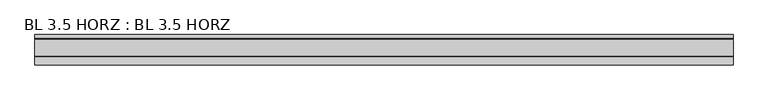
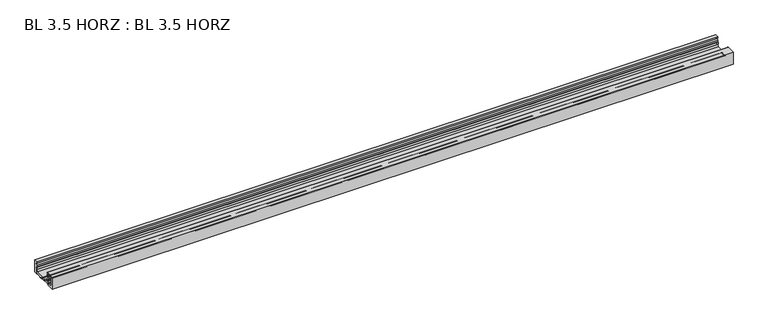
"""IFC4 building model written with IfcOpenShell, lengths in millimetres: furniture geometry, BL 3.5 HORZ : BL 3.5 HORZ."""

from ifc_helpers import new_model, si_unit, point, frame, frame_2d, origin, place, context, project, spatial, polyline, circle_curve, trimmed, segment, composite_curve, outline, extrude, source, transform, mapped, element, save
from ifc_brep_helpers import plane_surface, cylinder_surface, revolved_surface, advanced_brep


def bl_3_5_horz_bl_3_5_horz_7e1e05df(model_context):
    return source(origin(), model_context, "Body", "SolidModel", [
        extrude(outline(composite_curve([segment(polyline([(44.4595257, 0.0), (34.9345249, 0.0), (38.1095251, 3.1750003), (38.1095251, 20.6926618), (33.3470247, 20.6926618), (33.3470247, 15.9301613), (31.7362356, 15.9301613), (31.7362356, 22.2801619), (34.9345249, 22.2801619), (34.9345249, 26.9875024), (36.3579184, 32.6810766)]), True, "CONTINUOUS"), segment(trimmed(circle_curve(frame_2d((35.8453962, 32.8092072)), 0.5282958), [point((36.3579184, 32.6810766))], [point((35.8453962, 33.3375029))], True, "CARTESIAN"), True, "CONTINUOUS"), segment(polyline([(35.8453962, 33.3375029), (34.9345249, 33.3375029), (34.9345249, 38.1000034), (44.4595257, 38.1000034), (44.4595257, 0.0)]), True, "CONTINUOUS")], self_intersect=False)), frame((-1016.0, 0.0, 0.0), z_axis=(1.0, 0.0, 0.0), x_axis=(0.0, 1.0, 0.0)), (0.0, 0.0, 1.0), 2032.0),
        advanced_brep(
        [(1016.0, 32.1005075, 7.7615217), (1016.0, -19.0595255, 7.7615217), (1016.0, -19.0595255, 11.1676617), (1016.0, -22.3615255, 11.1676617), (1016.0, -25.4095256, 8.1196617), (1016.0, -25.4095256, 4.8176616), (1016.0, -38.9032757, 4.8176616), (1016.0, -38.9032757, 33.4180619), (1016.0, -25.4095256, 33.4180619), (1016.0, -25.4095256, 26.9410618), (1016.0, -22.3615255, 23.8930618), (1016.0, -19.0595255, 23.8930618), (1016.0, -19.0595255, 30.9034618), (1016.0, -20.2406255, 31.5853703), (1016.0, -21.6630255, 30.7641472), (1016.0, -22.2345255, 31.0941029), (1016.0, -22.2345255, 35.7166208), (1016.0, -21.6630255, 36.0465765), (1016.0, -20.2406255, 35.2253535), (1016.0, -19.0595255, 35.9072619), (1016.0, -19.0595255, 37.6000034), (1016.0, -19.5595255, 38.1000034), (1016.0, -44.4595257, 38.1000034), (1016.0, -44.4595257, 0.0), (1016.0, -24.507571, 0.0), (1016.0, -21.6536732, 2.8538978), (1016.0, -6.7275074, 2.8538978), (1016.0, -6.0204007, 2.5610046), (1016.0, -5.2371711, 1.777775), (1016.0, -4.5300643, 1.777775), (1016.0, -3.6496711, 2.6581682), (1016.0, -2.9425643, 2.6581682), (1016.0, -2.0621711, 1.777775), (1016.0, -1.3550643, 1.777775), (1016.0, -0.4746711, 2.6581682), (1016.0, 0.2324357, 2.6581682), (1016.0, 1.112829, 1.777775), (1016.0, 1.8199357, 1.777775), (1016.0, 2.700329, 2.6581682), (1016.0, 3.4074358, 2.6581682), (1016.0, 4.287829, 1.777775), (1016.0, 4.9949358, 1.777775), (1016.0, 5.875329, 2.6581682), (1016.0, 6.5824358, 2.6581682), (1016.0, 7.462829, 1.777775), (1016.0, 8.1699358, 1.777775), (1016.0, 9.050329, 2.6581682), (1016.0, 9.7574358, 2.6581682), (1016.0, 10.637829, 1.777775), (1016.0, 11.3449358, 1.777775), (1016.0, 12.225329, 2.6581682), (1016.0, 12.9324358, 2.6581682), (1016.0, 15.5906041, 0.0), (1016.0, 19.0012949, 0.0), (1016.0, 20.7415796, 3.0142616), (1016.0, 30.0393701, 3.0142616), (1016.0, 31.7796548, 0.0), (1016.0, 34.9345249, 0.0), (1016.0, 38.1095251, 3.1750003), (1016.0, 38.1095251, 18.3304617), (1016.0, 34.0655108, 16.6526047), (1016.0, 34.2751275, 15.8773141), (-1016.0, 32.1005075, 7.7615217), (-1016.0, 34.2751275, 15.8773141), (-1016.0, 34.0655108, 16.6526047), (-1016.0, 38.090475, 18.3304617), (-1016.0, 38.1095251, 3.1750003), (-1016.0, 34.9345249, 0.0), (-1016.0, 31.7796548, 0.0), (-1016.0, 30.0393701, 3.0142616), (-1016.0, 20.7415796, 3.0142616), (-1016.0, 19.0012949, 0.0), (-1016.0, 15.5906041, 0.0), (-1016.0, 12.9324358, 2.6581682), (-1016.0, 12.225329, 2.6581682), (-1016.0, 11.3449358, 1.777775), (-1016.0, 10.637829, 1.777775), (-1016.0, 9.7574358, 2.6581682), (-1016.0, 9.050329, 2.6581682), (-1016.0, 8.1699358, 1.777775), (-1016.0, 7.462829, 1.777775), (-1016.0, 6.5824358, 2.6581682), (-1016.0, 5.875329, 2.6581682), (-1016.0, 4.9949358, 1.777775), (-1016.0, 4.287829, 1.777775), (-1016.0, 3.4074358, 2.6581682), (-1016.0, 2.700329, 2.6581682), (-1016.0, 1.8199357, 1.777775), (-1016.0, 1.112829, 1.777775), (-1016.0, 0.2324357, 2.6581682), (-1016.0, -0.4746711, 2.6581682), (-1016.0, -1.3550643, 1.777775), (-1016.0, -2.0621711, 1.777775), (-1016.0, -2.9425643, 2.6581682), (-1016.0, -3.6496711, 2.6581682), (-1016.0, -4.5300643, 1.777775), (-1016.0, -5.2371711, 1.777775), (-1016.0, -6.0204007, 2.5610046), (-1016.0, -6.7275074, 2.8538978), (-1016.0, -21.6536732, 2.8538978), (-1016.0, -24.507571, 0.0), (-1016.0, -44.4595257, 0.0), (-1016.0, -44.4595257, 38.1000034), (-1016.0, -19.5595255, 38.1000034), (-1016.0, -19.0595255, 37.6000034), (-1016.0, -19.0595255, 35.9072619), (-1016.0, -20.2406255, 35.2253535), (-1016.0, -21.6630255, 36.0465765), (-1016.0, -22.2345255, 35.7166208), (-1016.0, -22.2345255, 31.0941029), (-1016.0, -21.6630255, 30.7641472), (-1016.0, -20.2406255, 31.5853703), (-1016.0, -19.0595255, 30.9034618), (-1016.0, -19.0595255, 23.8930618), (-1016.0, -22.3615255, 23.8930618), (-1016.0, -25.4095256, 26.9410618), (-1016.0, -25.4095256, 33.4180619), (-1016.0, -38.9032757, 33.4180619), (-1016.0, -38.9032757, 4.8176616), (-1016.0, -25.4095256, 4.8176616), (-1016.0, -25.4095256, 8.1196617), (-1016.0, -22.3615255, 11.1676617), (-1016.0, -19.0595255, 11.1676617), (-1016.0, -19.0595255, 7.7615217)],
        [
            (0, 1),
            (1, 2),
            (2, 3),
            (3, 4),
            (4, 5),
            (5, 6),
            (6, 7),
            (7, 8),
            (8, 9),
            (9, 10),
            (10, 11),
            (11, 12),
            (12, 13, circle_curve(frame((1016.0, -19.8469255, 30.9034618), z_axis=(1.0, 0.0, 0.0), x_axis=(0.0, 0.0, -1.0)), 0.7874)),
            (13, 14),
            (14, 15, circle_curve(frame((1016.0, -21.8535255, 31.0941029), z_axis=(-1.0, 0.0, 0.0), x_axis=(0.0, 0.0, -1.0)), 0.381)),
            (15, 16),
            (16, 17, circle_curve(frame((1016.0, -21.8535255, 35.7166208), z_axis=(-1.0, 0.0, 0.0), x_axis=(0.0, 0.0, -1.0)), 0.381)),
            (17, 18),
            (18, 19, circle_curve(frame((1016.0, -19.8469255, 35.9072619), z_axis=(1.0, 0.0, 0.0), x_axis=(0.0, 0.0, -1.0)), 0.7874)),
            (19, 20),
            (20, 21, circle_curve(frame((1016.0, -19.5595255, 37.6000034), z_axis=(1.0, 0.0, 0.0), x_axis=(0.0, 0.0, -1.0)), 0.5)),
            (21, 22),
            (22, 23),
            (23, 24),
            (24, 25),
            (25, 26),
            (26, 27, circle_curve(frame((1016.0, -6.7275074, 1.8538978), z_axis=(-1.0, 0.0, 0.0), x_axis=(0.0, 0.0, -1.0)), 1.0)),
            (27, 28),
            (28, 29, circle_curve(frame((1016.0, -4.8836177, 2.1313284), z_axis=(1.0, 0.0, 0.0), x_axis=(0.0, 0.0, -1.0)), 0.5)),
            (29, 30),
            (30, 31, circle_curve(frame((1016.0, -3.2961177, 2.3046148), z_axis=(-1.0, 0.0, 0.0), x_axis=(0.0, 0.0, -1.0)), 0.5)),
            (31, 32),
            (32, 33, circle_curve(frame((1016.0, -1.7086177, 2.1313284), z_axis=(1.0, 0.0, 0.0), x_axis=(0.0, 0.0, -1.0)), 0.5)),
            (33, 34),
            (34, 35, circle_curve(frame((1016.0, -0.1211177, 2.3046148), z_axis=(-1.0, 0.0, 0.0), x_axis=(0.0, 0.0, -1.0)), 0.5)),
            (35, 36),
            (36, 37, circle_curve(frame((1016.0, 1.4663823, 2.1313284), z_axis=(1.0, 0.0, 0.0), x_axis=(0.0, 0.0, -1.0)), 0.5)),
            (37, 38),
            (38, 39, circle_curve(frame((1016.0, 3.0538824, 2.3046148), z_axis=(-1.0, 0.0, 0.0), x_axis=(0.0, 0.0, -1.0)), 0.5)),
            (39, 40),
            (40, 41, circle_curve(frame((1016.0, 4.6413824, 2.1313284), z_axis=(1.0, 0.0, 0.0), x_axis=(0.0, 0.0, -1.0)), 0.5)),
            (41, 42),
            (42, 43, circle_curve(frame((1016.0, 6.2288824, 2.3046148), z_axis=(-1.0, 0.0, 0.0), x_axis=(0.0, 0.0, -1.0)), 0.5)),
            (43, 44),
            (44, 45, circle_curve(frame((1016.0, 7.8163824, 2.1313284), z_axis=(1.0, 0.0, 0.0), x_axis=(0.0, 0.0, -1.0)), 0.5)),
            (45, 46),
            (46, 47, circle_curve(frame((1016.0, 9.4038824, 2.3046148), z_axis=(-1.0, 0.0, 0.0), x_axis=(0.0, 0.0, -1.0)), 0.5)),
            (47, 48),
            (48, 49, circle_curve(frame((1016.0, 10.9913824, 2.1313284), z_axis=(1.0, 0.0, 0.0), x_axis=(0.0, 0.0, -1.0)), 0.5)),
            (49, 50),
            (50, 51, circle_curve(frame((1016.0, 12.5788824, 2.3046148), z_axis=(-1.0, 0.0, 0.0), x_axis=(0.0, 0.0, -1.0)), 0.5)),
            (51, 52),
            (52, 53),
            (53, 54),
            (54, 55),
            (55, 56),
            (56, 57),
            (57, 58),
            (58, 59),
            (59, 60, circle_curve(frame((1016.0, 35.7282749, 18.3304617), z_axis=(1.0, 0.0, 0.0), x_axis=(0.0, 0.0, -1.0)), 2.3622)),
            (60, 61, circle_curve(frame((1016.0, 33.5023869, 16.0843693), z_axis=(-1.0, 0.0, 0.0), x_axis=(0.0, 0.0, -1.0)), 0.8)),
            (61, 0),
            (62, 63),
            (63, 64, circle_curve(frame((-1016.0, 33.5023869, 16.0843693), z_axis=(1.0, 0.0, 0.0), x_axis=(0.0, 0.0, -1.0)), 0.8)),
            (64, 65, circle_curve(frame((-1016.0, 35.7282749, 18.3304617), z_axis=(-1.0, 0.0, 0.0), x_axis=(0.0, 0.0, -1.0)), 2.3622)),
            (65, 66),
            (66, 67),
            (67, 68),
            (68, 69),
            (69, 70),
            (70, 71),
            (71, 72),
            (72, 73),
            (73, 74, circle_curve(frame((-1016.0, 12.5788824, 2.3046148), z_axis=(1.0, 0.0, 0.0), x_axis=(0.0, 0.0, -1.0)), 0.5)),
            (74, 75),
            (75, 76, circle_curve(frame((-1016.0, 10.9913824, 2.1313284), z_axis=(-1.0, 0.0, 0.0), x_axis=(0.0, 0.0, -1.0)), 0.5)),
            (76, 77),
            (77, 78, circle_curve(frame((-1016.0, 9.4038824, 2.3046148), z_axis=(1.0, 0.0, 0.0), x_axis=(0.0, 0.0, -1.0)), 0.5)),
            (78, 79),
            (79, 80, circle_curve(frame((-1016.0, 7.8163824, 2.1313284), z_axis=(-1.0, 0.0, 0.0), x_axis=(0.0, 0.0, -1.0)), 0.5)),
            (80, 81),
            (81, 82, circle_curve(frame((-1016.0, 6.2288824, 2.3046148), z_axis=(1.0, 0.0, 0.0), x_axis=(0.0, 0.0, -1.0)), 0.5)),
            (82, 83),
            (83, 84, circle_curve(frame((-1016.0, 4.6413824, 2.1313284), z_axis=(-1.0, 0.0, 0.0), x_axis=(0.0, 0.0, -1.0)), 0.5)),
            (84, 85),
            (85, 86, circle_curve(frame((-1016.0, 3.0538824, 2.3046148), z_axis=(1.0, 0.0, 0.0), x_axis=(0.0, 0.0, -1.0)), 0.5)),
            (86, 87),
            (87, 88, circle_curve(frame((-1016.0, 1.4663823, 2.1313284), z_axis=(-1.0, 0.0, 0.0), x_axis=(0.0, 0.0, -1.0)), 0.5)),
            (88, 89),
            (89, 90, circle_curve(frame((-1016.0, -0.1211177, 2.3046148), z_axis=(1.0, 0.0, 0.0), x_axis=(0.0, 0.0, -1.0)), 0.5)),
            (90, 91),
            (91, 92, circle_curve(frame((-1016.0, -1.7086177, 2.1313284), z_axis=(-1.0, 0.0, 0.0), x_axis=(0.0, 0.0, -1.0)), 0.5)),
            (92, 93),
            (93, 94, circle_curve(frame((-1016.0, -3.2961177, 2.3046148), z_axis=(1.0, 0.0, 0.0), x_axis=(0.0, 0.0, -1.0)), 0.5)),
            (94, 95),
            (95, 96, circle_curve(frame((-1016.0, -4.8836177, 2.1313284), z_axis=(-1.0, 0.0, 0.0), x_axis=(0.0, 0.0, -1.0)), 0.5)),
            (96, 97),
            (97, 98, circle_curve(frame((-1016.0, -6.7275074, 1.8538978), z_axis=(1.0, 0.0, 0.0), x_axis=(0.0, 0.0, -1.0)), 1.0)),
            (98, 99),
            (99, 100),
            (100, 101),
            (101, 102),
            (102, 103),
            (103, 104, circle_curve(frame((-1016.0, -19.5595255, 37.6000034), z_axis=(-1.0, 0.0, 0.0), x_axis=(0.0, 0.0, -1.0)), 0.5)),
            (104, 105),
            (105, 106, circle_curve(frame((-1016.0, -19.8469255, 35.9072619), z_axis=(-1.0, 0.0, 0.0), x_axis=(0.0, 0.0, -1.0)), 0.7874)),
            (106, 107),
            (107, 108, circle_curve(frame((-1016.0, -21.8535255, 35.7166208), z_axis=(1.0, 0.0, 0.0), x_axis=(0.0, 0.0, -1.0)), 0.381)),
            (108, 109),
            (109, 110, circle_curve(frame((-1016.0, -21.8535255, 31.0941029), z_axis=(1.0, 0.0, 0.0), x_axis=(0.0, 0.0, -1.0)), 0.381)),
            (110, 111),
            (111, 112, circle_curve(frame((-1016.0, -19.8469255, 30.9034618), z_axis=(-1.0, 0.0, 0.0), x_axis=(0.0, 0.0, -1.0)), 0.7874)),
            (112, 113),
            (113, 114),
            (114, 115),
            (115, 116),
            (116, 117),
            (117, 118),
            (118, 119),
            (119, 120),
            (120, 121),
            (121, 122),
            (122, 123),
            (123, 62),
            (0, 62),
            (123, 1),
            (122, 2),
            (121, 3),
            (120, 4),
            (119, 5),
            (118, 6),
            (117, 7),
            (116, 8),
            (115, 9),
            (114, 10),
            (113, 11),
            (112, 12),
            (111, 13),
            (110, 14),
            (109, 15),
            (108, 16),
            (107, 17),
            (106, 18),
            (105, 19),
            (104, 20),
            (103, 21),
            (102, 22),
            (101, 23),
            (100, 24),
            (99, 25),
            (98, 26),
            (97, 27),
            (96, 28),
            (95, 29),
            (94, 30),
            (93, 31),
            (92, 32),
            (91, 33),
            (90, 34),
            (89, 35),
            (88, 36),
            (87, 37),
            (86, 38),
            (85, 39),
            (84, 40),
            (83, 41),
            (82, 42),
            (81, 43),
            (80, 44),
            (79, 45),
            (78, 46),
            (77, 47),
            (76, 48),
            (75, 49),
            (74, 50),
            (73, 51),
            (72, 52),
            (71, 53),
            (70, 54),
            (69, 55),
            (68, 56),
            (67, 57),
            (66, 58),
            (65, 59),
            (64, 60),
            (63, 61),
        ],
        [
            plane_surface(frame((1016.0, 34.3411306, 16.1236409), z_axis=(1.0, 0.0, 0.0), x_axis=(0.0, 0.2588190450996609, 0.9659258262898346))),
            plane_surface(frame((-1016.0, 34.3411306, 16.1236409), z_axis=(-1.0, 0.0, 0.0), x_axis=(0.0, -0.2588190450996609, -0.9659258262898346))),
            plane_surface(frame((1016.0, -19.0595255, 7.7615217), z_axis=(0.0, 0.0, 1.0), x_axis=(-1.0, 0.0, 0.0))),
            plane_surface(frame((1016.0, -19.0595255, 11.1676617), z_axis=(0.0, 1.0, 0.0), x_axis=(-1.0, 0.0, 0.0))),
            plane_surface(frame((1016.0, -22.3615255, 11.1676617), z_axis=(0.0, 0.0, 1.0), x_axis=(-1.0, 0.0, 0.0))),
            plane_surface(frame((1016.0, -25.4095256, 8.1196617), z_axis=(0.0, -0.7071067811923282, 0.7071067811807669), x_axis=(-1.0, 0.0, 0.0))),
            plane_surface(frame((1016.0, -25.4095256, 4.8176616), z_axis=(0.0, -1.0, 0.0), x_axis=(-1.0, 0.0, 0.0))),
            plane_surface(frame((1016.0, -38.9032757, 4.8176616), z_axis=(0.0, 0.0, 1.0), x_axis=(-1.0, 0.0, 0.0))),
            plane_surface(frame((1016.0, -38.9032757, 33.4180619), z_axis=(0.0, 1.0, 0.0), x_axis=(-1.0, 0.0, 0.0))),
            plane_surface(frame((1016.0, -25.4095256, 33.4180619), z_axis=(0.0, 0.0, -1.0), x_axis=(-1.0, 0.0, 0.0))),
            plane_surface(frame((1016.0, -25.4095256, 26.9410618), z_axis=(0.0, -1.0, 0.0), x_axis=(-1.0, 0.0, 0.0))),
            plane_surface(frame((1016.0, -22.3615255, 23.8930618), z_axis=(0.0, -0.7071067811862939, -0.7071067811868011), x_axis=(-1.0, 0.0, 0.0))),
            plane_surface(frame((1016.0, -19.0595255, 23.8930618), z_axis=(0.0, 0.0, -1.0), x_axis=(-1.0, 0.0, 0.0))),
            plane_surface(frame((1016.0, -19.0595255, 30.9034618), z_axis=(0.0, 1.0, 0.0), x_axis=(-1.0, 0.0, 0.0))),
            cylinder_surface(frame((-1016.0, -19.8469255, 30.9034618), z_axis=(1.0, 0.0, 0.0), x_axis=(0.0, 0.0, -1.0)), 0.7874),
            plane_surface(frame((1016.0, -21.6630255, 30.7641472), z_axis=(0.0, -0.4999999999955539, 0.8660254037870057), x_axis=(-1.0, 0.0, 0.0))),
            revolved_surface(polyline([(-1016.0, -21.8535255, 30.7131029), (1016.0, -21.8535255, 30.7131029)]), (-1016.0, -21.8535255, 31.0941029), (-1.0, 0.0, 0.0)),
            plane_surface(frame((1016.0, -22.2345255, 35.7166208), z_axis=(0.0, 1.0, -1.3991493901700514e-12), x_axis=(-1.0, 0.0, 0.0))),
            revolved_surface(polyline([(-1016.0, -21.8535255, 35.3356208), (1016.0, -21.8535255, 35.3356208)]), (-1016.0, -21.8535255, 35.7166208), (-1.0, 0.0, 0.0)),
            plane_surface(frame((1016.0, -20.2406255, 35.2253535), z_axis=(0.0, -0.4999999999903269, -0.8660254037900234), x_axis=(-1.0, 0.0, 0.0))),
            cylinder_surface(frame((-1016.0, -19.8469255, 35.9072619), z_axis=(1.0, 0.0, 0.0), x_axis=(0.0, 0.0, -1.0)), 0.7874),
            plane_surface(frame((1016.0, -19.0595255, 37.6000034), z_axis=(0.0, 1.0, 6.404617233719765e-12), x_axis=(-1.0, 0.0, 0.0))),
            cylinder_surface(frame((-1016.0, -19.5595255, 37.6000034), z_axis=(1.0, 0.0, 0.0), x_axis=(0.0, 0.0, -1.0)), 0.5),
            plane_surface(frame((1016.0, -44.4595257, 38.1000034), z_axis=(0.0, 0.0, 1.0), x_axis=(-1.0, 0.0, 0.0))),
            plane_surface(frame((1016.0, -44.4595257, 0.0), z_axis=(0.0, -1.0, 0.0), x_axis=(-1.0, 0.0, 0.0))),
            plane_surface(frame((1016.0, -24.507571, 0.0), z_axis=(0.0, 0.0, -1.0), x_axis=(-1.0, 0.0, 0.0))),
            plane_surface(frame((1016.0, -21.6536732, 2.8538978), z_axis=(0.0, 0.7071067811832531, -0.707106781189842), x_axis=(-1.0, 0.0, 0.0))),
            plane_surface(frame((1016.0, -6.7275074, 2.8538978), z_axis=(0.0, 0.0, -1.0), x_axis=(-1.0, 0.0, 0.0))),
            revolved_surface(polyline([(-1016.0, -6.7275074, 0.8538977999999999), (1016.0, -6.7275074, 0.8538977999999999)]), (-1016.0, -6.7275074, 1.8538978), (-1.0, 0.0, 0.0)),
            plane_surface(frame((1016.0, -5.2371711, 1.777775), z_axis=(0.0, -0.7071067818122868, -0.7071067805608082), x_axis=(-1.0, 0.0, 0.0))),
            cylinder_surface(frame((-1016.0, -4.8836177, 2.1313284), z_axis=(1.0, 0.0, 0.0), x_axis=(0.0, 0.0, -1.0)), 0.5),
            plane_surface(frame((1016.0, -3.6496711, 2.6581682), z_axis=(0.0, 0.7071067816421427, -0.7071067807309525), x_axis=(-1.0, 0.0, 0.0))),
            revolved_surface(polyline([(-1016.0, -3.2961177, 1.8046148), (1016.0, -3.2961177, 1.8046148)]), (-1016.0, -3.2961177, 2.3046148), (-1.0, 0.0, 0.0)),
            plane_surface(frame((1016.0, -2.0621711, 1.777775), z_axis=(0.0, -0.7071067832175896, -0.7071067791555056), x_axis=(-1.0, 0.0, 0.0))),
            cylinder_surface(frame((-1016.0, -1.7086177, 2.1313284), z_axis=(1.0, 0.0, 0.0), x_axis=(0.0, 0.0, -1.0)), 0.5),
            plane_surface(frame((1016.0, -0.4746711, 2.6581682), z_axis=(0.0, 0.7071067809161782, -0.707106781456917), x_axis=(-1.0, 0.0, 0.0))),
            revolved_surface(polyline([(-1016.0, -0.1211177, 1.8046148), (1016.0, -0.1211177, 1.8046148)]), (-1016.0, -0.1211177, 2.3046148), (-1.0, 0.0, 0.0)),
            plane_surface(frame((1016.0, 1.112829, 1.777775), z_axis=(0.0, -0.7071067792580787, -0.7071067831150164), x_axis=(-1.0, 0.0, 0.0))),
            cylinder_surface(frame((-1016.0, 1.4663823, 2.1313284), z_axis=(1.0, 0.0, 0.0), x_axis=(0.0, 0.0, -1.0)), 0.5),
            plane_surface(frame((1016.0, 2.700329, 2.6581682), z_axis=(0.0, 0.7071067825784109, -0.7071067797946843), x_axis=(-1.0, 0.0, 0.0))),
            revolved_surface(polyline([(-1016.0, 3.0538824, 1.8046148), (1016.0, 3.0538824, 1.8046148)]), (-1016.0, 3.0538824, 2.3046148), (-1.0, 0.0, 0.0)),
            plane_surface(frame((1016.0, 4.287829, 1.777775), z_axis=(0.0, -0.7071067829389069, -0.7071067794341882), x_axis=(-1.0, 0.0, 0.0))),
            cylinder_surface(frame((-1016.0, 4.6413824, 2.1313284), z_axis=(1.0, 0.0, 0.0), x_axis=(0.0, 0.0, -1.0)), 0.5),
            plane_surface(frame((1016.0, 5.875329, 2.6581682), z_axis=(0.0, 0.7071067819304142, -0.7071067804426808), x_axis=(-1.0, 0.0, 0.0))),
            revolved_surface(polyline([(-1016.0, 6.2288824, 1.8046148), (1016.0, 6.2288824, 1.8046148)]), (-1016.0, 6.2288824, 2.3046148), (-1.0, 0.0, 0.0)),
            plane_surface(frame((1016.0, 7.462829, 1.777775), z_axis=(0.0, -0.707106781700225, -0.7071067806728701), x_axis=(-1.0, 0.0, 0.0))),
            cylinder_surface(frame((-1016.0, 7.8163824, 2.1313284), z_axis=(1.0, 0.0, 0.0), x_axis=(0.0, 0.0, -1.0)), 0.5),
            plane_surface(frame((1016.0, 9.050329, 2.6581682), z_axis=(0.0, 0.70710678009559, -0.707106782277505), x_axis=(-1.0, 0.0, 0.0))),
            revolved_surface(polyline([(-1016.0, 9.4038824, 1.8046148), (1016.0, 9.4038824, 1.8046148)]), (-1016.0, 9.4038824, 2.3046148), (-1.0, 0.0, 0.0)),
            plane_surface(frame((1016.0, 10.637829, 1.777775), z_axis=(0.0, -0.7071067815156702, -0.707106780857425), x_axis=(-1.0, 0.0, 0.0))),
            cylinder_surface(frame((-1016.0, 10.9913824, 2.1313284), z_axis=(1.0, 0.0, 0.0), x_axis=(0.0, 0.0, -1.0)), 0.5),
            plane_surface(frame((1016.0, 12.225329, 2.6581682), z_axis=(0.0, 0.7071067819716498, -0.7071067804014453), x_axis=(-1.0, 0.0, 0.0))),
            revolved_surface(polyline([(-1016.0, 12.5788824, 1.8046148), (1016.0, 12.5788824, 1.8046148)]), (-1016.0, 12.5788824, 2.3046148), (-1.0, 0.0, 0.0)),
            plane_surface(frame((1016.0, 15.5906041, 0.0), z_axis=(0.0, -0.7071067811862667, -0.7071067811868285), x_axis=(-1.0, 0.0, 0.0))),
            plane_surface(frame((1016.0, 19.0012949, 0.0), z_axis=(0.0, 0.0, -1.0), x_axis=(-1.0, 0.0, 0.0))),
            plane_surface(frame((1016.0, 20.7415796, 3.0142616), z_axis=(0.0, 0.8660254037830059, -0.5000000000024819), x_axis=(-1.0, 0.0, 0.0))),
            plane_surface(frame((1016.0, 30.0393701, 3.0142616), z_axis=(0.0, 0.0, -1.0), x_axis=(-1.0, 0.0, 0.0))),
            plane_surface(frame((1016.0, 31.7796548, 0.0), z_axis=(0.0, -0.866025403783003, -0.5000000000024869), x_axis=(-1.0, 0.0, 0.0))),
            plane_surface(frame((1016.0, 34.9345249, 0.0), z_axis=(0.0, 0.0, -1.0), x_axis=(-1.0, 0.0, 0.0))),
            plane_surface(frame((1016.0, 38.1095251, 3.1750003), z_axis=(0.0, 0.7071067811887214, -0.7071067811843736), x_axis=(-1.0, 0.0, 0.0))),
            plane_surface(frame((1016.0, 38.1095251, 18.3304617), z_axis=(0.0, 1.0, 0.0), x_axis=(-1.0, 0.0, 0.0))),
            cylinder_surface(frame((-1016.0, 35.7282749, 18.3304617), z_axis=(1.0, 0.0, 0.0), x_axis=(0.0, 0.0, -1.0)), 2.3622),
            revolved_surface(polyline([(-1016.0, 33.5023869, 15.284369299999998), (1016.0, 33.5023869, 15.284369299999998)]), (-1016.0, 33.5023869, 16.0843693), (-1.0, 0.0, 0.0)),
            plane_surface(frame((1016.0, 32.1005075, 7.7615217), z_axis=(0.0, -0.9659258262898346, 0.2588190450996609), x_axis=(-1.0, 0.0, 0.0))),
        ],
        [
            (0, [[1, 2, 3, 4, 5, 6, 7, 8, 9, 10, 11, 12, 13, 14, 15, 16, 17, 18, 19, 20, 21, 22, 23, 24, 25, 26, 27, 28, 29, 30, 31, 32, 33, 34, 35, 36, 37, 38, 39, 40, 41, 42, 43, 44, 45, 46, 47, 48, 49, 50, 51, 52, 53, 54, 55, 56, 57, 58, 59, 60, 61, 62]]),
            (1, [[63, 64, 65, 66, 67, 68, 69, 70, 71, 72, 73, 74, 75, 76, 77, 78, 79, 80, 81, 82, 83, 84, 85, 86, 87, 88, 89, 90, 91, 92, 93, 94, 95, 96, 97, 98, 99, 100, 101, 102, 103, 104, 105, 106, 107, 108, 109, 110, 111, 112, 113, 114, 115, 116, 117, 118, 119, 120, 121, 122, 123, 124]]),
            (2, [[125, -124, 126, -1]]),
            (3, [[-126, -123, 127, -2]]),
            (4, [[-127, -122, 128, -3]]),
            (5, [[-128, -121, 129, -4]]),
            (6, [[-129, -120, 130, -5]]),
            (7, [[-130, -119, 131, -6]]),
            (8, [[-131, -118, 132, -7]]),
            (9, [[-132, -117, 133, -8]]),
            (10, [[-133, -116, 134, -9]]),
            (11, [[-134, -115, 135, -10]]),
            (12, [[-135, -114, 136, -11]]),
            (13, [[-136, -113, 137, -12]]),
            (14, [[-137, -112, 138, -13]]),
            (15, [[-138, -111, 139, -14]]),
            (16, [[-139, -110, 140, -15]]),
            (17, [[-140, -109, 141, -16]]),
            (18, [[-141, -108, 142, -17]]),
            (19, [[-142, -107, 143, -18]]),
            (20, [[-143, -106, 144, -19]]),
            (21, [[-144, -105, 145, -20]]),
            (22, [[-145, -104, 146, -21]]),
            (23, [[-146, -103, 147, -22]]),
            (24, [[-147, -102, 148, -23]]),
            (25, [[-148, -101, 149, -24]]),
            (26, [[-149, -100, 150, -25]]),
            (27, [[-150, -99, 151, -26]]),
            (28, [[-151, -98, 152, -27]]),
            (29, [[-152, -97, 153, -28]]),
            (30, [[-153, -96, 154, -29]]),
            (31, [[-154, -95, 155, -30]]),
            (32, [[-155, -94, 156, -31]]),
            (33, [[-156, -93, 157, -32]]),
            (34, [[-157, -92, 158, -33]]),
            (35, [[-158, -91, 159, -34]]),
            (36, [[-159, -90, 160, -35]]),
            (37, [[-160, -89, 161, -36]]),
            (38, [[-161, -88, 162, -37]]),
            (39, [[-162, -87, 163, -38]]),
            (40, [[-163, -86, 164, -39]]),
            (41, [[-164, -85, 165, -40]]),
            (42, [[-165, -84, 166, -41]]),
            (43, [[-166, -83, 167, -42]]),
            (44, [[-167, -82, 168, -43]]),
            (45, [[-168, -81, 169, -44]]),
            (46, [[-169, -80, 170, -45]]),
            (47, [[-170, -79, 171, -46]]),
            (48, [[-171, -78, 172, -47]]),
            (49, [[-172, -77, 173, -48]]),
            (50, [[-173, -76, 174, -49]]),
            (51, [[-174, -75, 175, -50]]),
            (52, [[-175, -74, 176, -51]]),
            (53, [[-176, -73, 177, -52]]),
            (54, [[-177, -72, 178, -53]]),
            (55, [[-178, -71, 179, -54]]),
            (56, [[-179, -70, 180, -55]]),
            (57, [[-180, -69, 181, -56]]),
            (58, [[-181, -68, 182, -57]]),
            (59, [[-182, -67, 183, -58]]),
            (60, [[-183, -66, 184, -59]]),
            (61, [[-184, -65, 185, -60]]),
            (62, [[-185, -64, 186, -61]]),
            (63, [[-186, -63, -125, -62]]),
        ],
    ),
    ])


if __name__ == "__main__":
    model = new_model("IFC4")
    model_context = context("Model", 3, world=origin())
    ifc_project = project(units=[si_unit("LENGTHUNIT", "METRE", prefix="MILLI")], contexts=[model_context])
    site = spatial("IfcSite", under=ifc_project)
    building = spatial("IfcBuilding", under=site)
    placement = place(None, origin())
    bl_3_5_horz_bl_3_5_horz_shape = bl_3_5_horz_bl_3_5_horz_7e1e05df(model_context)
    element("IfcFurniture", 1, ObjectType="BL 3.5 HORZ : BL 3.5 HORZ", at=placement, inside=building, context=model_context, shape_type="MappedRepresentation", body=[
        mapped(bl_3_5_horz_bl_3_5_horz_shape, transform((0.0, 0.0, 0.0), x_axis=(1.0, 0.0, 0.0), y_axis=(0.0, 1.0, 0.0), z_axis=(0.0, 0.0, 1.0))),
    ])
    save(model, "model.ifc")
